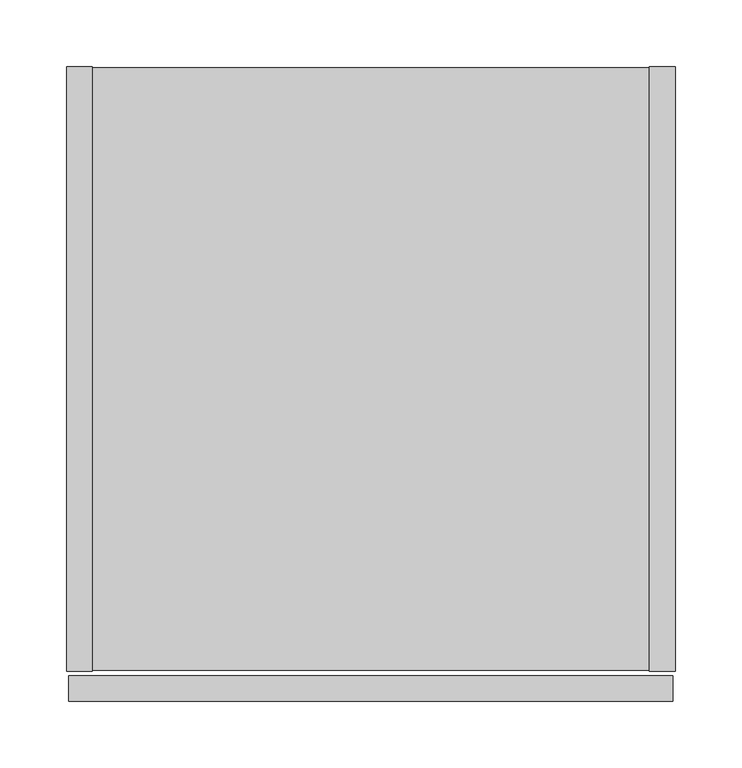
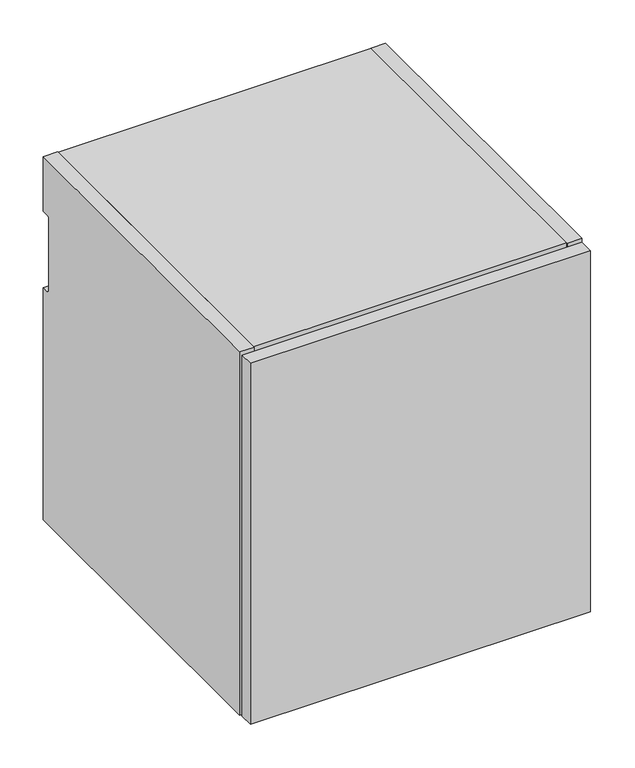
"""IFC4 building model written with IfcOpenShell, lengths in millimetres: furniture geometry."""

import ifcopenshell
import ifcopenshell.guid

model = None  # the IFC model being written
_history = None  # IfcOwnerHistory: only IFC2X3 demands one
_inside = {}  # id of a spatial element -> (the spatial element, [elements in it])
_under = {}  # id of a project, library or spatial element -> (it, [spatial elements below it])
_declared = {}  # id of a project -> (the project, [libraries it declares])
_typed = {}  # id of a type object -> (the type object, [elements of that type])
_made_of = {}  # id of a material, layer set ... -> (it, [elements and type objects made of it])


def new_model(schema):
    """Start an empty IFC model of exactly this schema.

    Asked for "IFC4X3", IfcOpenShell would pick the latest addendum, in which some entities
    have other attributes; the version numbers below select the first issue.
    IFC2X3 requires an IfcOwnerHistory on every rooted entity: one is made here for all.
    """
    global model, _history
    if schema == "IFC4X3":
        model = ifcopenshell.file(schema_version=(4, 3, 0, 0))
    else:
        model = ifcopenshell.file(schema=schema)
    _inside.clear()
    _under.clear()
    _declared.clear()
    _typed.clear()
    _made_of.clear()
    _history = None
    if model.schema == "IFC2X3":
        org = make("IfcOrganization", Name="unknown")
        user = make(
            "IfcPersonAndOrganization",
            ThePerson=make("IfcPerson", FamilyName="unknown"),
            TheOrganization=org,
        )
        app = make(
            "IfcApplication",
            ApplicationDeveloper=org,
            Version="unknown",
            ApplicationFullName="unknown",
            ApplicationIdentifier="unknown",
        )
        _history = make(
            "IfcOwnerHistory",
            OwningUser=user,
            OwningApplication=app,
            ChangeAction="ADDED",
            CreationDate=0,
        )
    return model


def make(cls, **values):
    """One entity of the class cls with the attributes given. An attribute that is None is left unset."""
    return model.create_entity(
        cls, **{name: value for name, value in values.items() if value is not None}
    )


def rooted(cls, **values):
    """An entity with a GlobalId (a new one), such as an element, a storey or a relation."""
    return make(cls, GlobalId=ifcopenshell.guid.new(), OwnerHistory=_history, **values)


def si_unit(unit_type, name, prefix=None):
    """IfcSIUnit, for example si_unit("LENGTHUNIT", "METRE", prefix="MILLI")."""
    return make("IfcSIUnit", UnitType=unit_type, Prefix=prefix, Name=name)


def assignment(units):
    """IfcUnitAssignment: the units of a project."""
    return None if units is None else make("IfcUnitAssignment", Units=units)


def point(xyz):
    """IfcCartesianPoint."""
    return None if xyz is None else make("IfcCartesianPoint", Coordinates=xyz)


def direction(xyz):
    """IfcDirection."""
    return None if xyz is None else make("IfcDirection", DirectionRatios=xyz)


def frame(location, z_axis=None, x_axis=None):
    """IfcAxis2Placement3D, a coordinate frame: its origin and axes. An axis left out is left unset."""
    return make(
        "IfcAxis2Placement3D",
        Location=point(location),
        Axis=direction(z_axis),
        RefDirection=direction(x_axis),
    )


def frame_2d(location, x_axis=None):
    """IfcAxis2Placement2D, a coordinate frame in the plane: its origin and x axis."""
    return make(
        "IfcAxis2Placement2D", Location=point(location), RefDirection=direction(x_axis)
    )


def origin():
    """The frame at (0, 0, 0) with its axes left unset."""
    return frame((0.0, 0.0, 0.0))


def place(relative_to, where):
    """IfcLocalPlacement: puts the frame where relative to a parent placement (None: the world)."""
    return make(
        "IfcLocalPlacement", PlacementRelTo=relative_to, RelativePlacement=where
    )


def context(
    kind, dimensions, precision=None, world=None, true_north=None, identifier=None
):
    """IfcGeometricRepresentationContext, for example the 3D "Model" context."""
    return make(
        "IfcGeometricRepresentationContext",
        ContextIdentifier=identifier,
        ContextType=kind,
        CoordinateSpaceDimension=dimensions,
        Precision=precision,
        WorldCoordinateSystem=world,
        TrueNorth=true_north,
    )


def project(units=None, contexts=None):
    """IfcProject with its units and contexts."""
    return rooted(
        "IfcProject",
        Name="project",
        RepresentationContexts=contexts,
        UnitsInContext=assignment(units),
    )


def spatial(cls, under=None, at=None, **own):
    """A site, building, storey or space (cls), placed at a placement, below another one or the project."""
    s = rooted(cls, ObjectPlacement=at, **own)
    if under is not None:
        _under.setdefault(under.id(), (under, []))[1].append(s)
    return s


def polyline(points):
    """IfcPolyline through the points."""
    return make("IfcPolyline", Points=[point(p) for p in points])


def circle_curve(where, radius):
    """IfcCircle in the frame where."""
    return make("IfcCircle", Position=where, Radius=radius)


def trimmed(basis, trim1, trim2, sense, master):
    """IfcTrimmedCurve: the piece of a basis curve between two trims."""
    return make(
        "IfcTrimmedCurve",
        BasisCurve=basis,
        Trim1=trim1,
        Trim2=trim2,
        SenseAgreement=sense,
        MasterRepresentation=master,
    )


def segment(curve, same_sense, transition):
    """IfcCompositeCurveSegment."""
    return make(
        "IfcCompositeCurveSegment",
        Transition=transition,
        SameSense=same_sense,
        ParentCurve=curve,
    )


def composite_curve(segments, self_intersect=None):
    """IfcCompositeCurve: segments joined end to end."""
    return make("IfcCompositeCurve", Segments=segments, SelfIntersect=self_intersect)


def outline(outer, holes=None, kind="AREA"):
    """IfcArbitraryClosedProfileDef: a profile drawn as a closed curve; with holes, ...WithVoids."""
    if holes is None:
        return make("IfcArbitraryClosedProfileDef", ProfileType=kind, OuterCurve=outer)
    return make(
        "IfcArbitraryProfileDefWithVoids",
        ProfileType=kind,
        OuterCurve=outer,
        InnerCurves=holes,
    )


def extrude(swept, where, along, depth):
    """IfcExtrudedAreaSolid: the profile swept, set in the frame where, extruded along a direction by depth."""
    return make(
        "IfcExtrudedAreaSolid",
        SweptArea=swept,
        Position=where,
        ExtrudedDirection=direction(along),
        Depth=depth,
    )


def shape(context_of_items, identifier, shape_type, items):
    """IfcShapeRepresentation: the items that make up one representation, for example the "Body"."""
    return make(
        "IfcShapeRepresentation",
        ContextOfItems=context_of_items,
        RepresentationIdentifier=identifier,
        RepresentationType=shape_type,
        Items=items,
    )


def source(mapping_origin, context_of_items, identifier, shape_type, items):
    """IfcRepresentationMap: a shape defined once, which mapped items show again and again."""
    return make(
        "IfcRepresentationMap",
        MappingOrigin=mapping_origin,
        MappedRepresentation=shape(context_of_items, identifier, shape_type, items),
    )


def transform(
    local_origin,
    x_axis=None,
    y_axis=None,
    z_axis=None,
    scale=None,
    scale2=None,
    scale3=None,
    uniform=True,
):
    """IfcCartesianTransformationOperator3D, or its non-uniform kind. x_axis, y_axis, z_axis: its Axis1, 2, 3."""
    if uniform:
        return make(
            "IfcCartesianTransformationOperator3D",
            Axis1=direction(x_axis),
            Axis2=direction(y_axis),
            LocalOrigin=point(local_origin),
            Scale=scale,
            Axis3=direction(z_axis),
        )
    return make(
        "IfcCartesianTransformationOperator3DnonUniform",
        Axis1=direction(x_axis),
        Axis2=direction(y_axis),
        LocalOrigin=point(local_origin),
        Scale=scale,
        Axis3=direction(z_axis),
        Scale2=scale2,
        Scale3=scale3,
    )


def mapped(mapping_source, mapping_target):
    """IfcMappedItem: shows the shape of a source again, moved by a transform."""
    return make(
        "IfcMappedItem", MappingSource=mapping_source, MappingTarget=mapping_target
    )


def made_of(thing, what):
    """Note that an element or type object is made of a material, layer set ...; save() writes the relation."""
    if what is not None:
        _made_of.setdefault(what.id(), (what, []))[1].append(thing)
    return thing


def element(
    cls,
    number,
    at=None,
    inside=None,
    cuts=None,
    type_object=None,
    material=None,
    context=None,
    identifier="Body",
    shape_type=None,
    held_by="IfcProductDefinitionShape",
    body=None,
    shapes=None,
    **own,
):
    """One element of the class cls, such as IfcWall. Its Tag is "e" and its number.

    at: its placement. inside: the storey or other place that contains it. cuts: it is an
    opening in that element (IfcRelVoidsElement). A single representation is given by context,
    identifier, shape_type and body (its items); several are given by shapes. held_by: the class
    of the entity that holds the representations. save() writes the other relations.
    """
    e = rooted(cls, Tag="e%d" % number, ObjectPlacement=at, **own)
    if body is not None:
        shapes = [shape(context, identifier, shape_type, body)]
    if shapes is not None:
        e.Representation = make(held_by, Representations=shapes)
    if inside is not None:
        _inside.setdefault(inside.id(), (inside, []))[1].append(e)
    if cuts is not None:
        rooted(
            "IfcRelVoidsElement", RelatingBuildingElement=cuts, RelatedOpeningElement=e
        )
    if type_object is not None:
        _typed.setdefault(type_object.id(), (type_object, []))[1].append(e)
    return made_of(e, material)


def aggregate(whole, parts):
    """IfcRelAggregates: a whole, such as a stair, and the parts it consists of."""
    return rooted("IfcRelAggregates", RelatingObject=whole, RelatedObjects=parts)


def save(model, path):
    """Write the relations noted so far, then the file.

    IfcRelAggregates (storeys below a building ...), IfcRelContainedInSpatialStructure (elements
    in a storey), IfcRelDefinesByType, IfcRelAssociatesMaterial and IfcRelDeclares: one each for
    every whole, place, type object, material and project.
    """
    for whole, parts in _under.values():
        aggregate(whole, parts)
    for where, things in _inside.values():
        rooted(
            "IfcRelContainedInSpatialStructure",
            RelatedElements=things,
            RelatingStructure=where,
        )
    for kind, things in _typed.values():
        rooted("IfcRelDefinesByType", RelatedObjects=things, RelatingType=kind)
    for what, things in _made_of.values():
        rooted("IfcRelAssociatesMaterial", RelatedObjects=things, RelatingMaterial=what)
    for by, libraries in _declared.values():
        rooted("IfcRelDeclares", RelatingContext=by, RelatedDefinitions=libraries)
    model.write(path)


def furniture_c3f5d862(model_context):
    return source(origin(), model_context, "Body", "SweptSolid", [
        extrude(outline(polyline([(455.6125, -476.504), (1.5875, -476.504), (1.5875, -457.2), (455.6125, -457.2), (455.6125, -476.504)])), frame((0.0, 0.0, 325.628), z_axis=(0.0, 0.0, 1.0), x_axis=(1.0, 0.0, 0.0)), (0.0, 0.0, 1.0), 509.397),
        extrude(outline(polyline([(457.2, 0.0), (457.2, -454.025), (437.896, -454.025), (437.896, 0.0), (457.2, 0.0)])), frame((0.0, 0.0, 325.628), z_axis=(0.0, 0.0, 1.0), x_axis=(1.0, 0.0, 0.0)), (0.0, 0.0, 1.0), 512.572),
        extrude(outline(polyline([(437.896, -0.9906), (437.896, -453.0344), (19.304, -453.0344), (19.304, -0.9906), (437.896, -0.9906)])), frame((0.0, 0.0, 326.6186), z_axis=(0.0, 0.0, 1.0), x_axis=(1.0, 0.0, 0.0)), (0.0, 0.0, 1.0), 19.304),
        extrude(outline(composite_curve([segment(polyline([(-32.004, 818.896), (-11.938, 818.896), (-11.938, 760.2988429)]), True, "CONTINUOUS"), segment(trimmed(circle_curve(frame_2d((-9.3963729, 758.1883729)), 3.3036271), [point((-11.938, 760.2988429))], [point((-12.7, 758.1883729))], True, "CARTESIAN"), True, "CONTINUOUS"), segment(polyline([(-12.7, 758.1883729), (-12.7, 656.844)]), True, "CONTINUOUS"), segment(trimmed(circle_curve(frame_2d((-9.398, 656.844)), 3.302), [point((-12.7, 656.844))], [point((-11.938, 654.7341175))], True, "CARTESIAN"), True, "CONTINUOUS"), segment(polyline([(-11.938, 654.7341175), (-11.938, 345.9226), (-32.004, 345.9226), (-32.004, 818.896)]), True, "CONTINUOUS")], self_intersect=False)), frame((19.304, 0.0, 0.0), z_axis=(1.0, 0.0, 0.0), x_axis=(0.0, 1.0, 0.0)), (0.0, 0.0, 1.0), 418.592),
        extrude(outline(composite_curve([segment(polyline([(-454.025, 838.2), (0.0, 838.2), (0.0, 761.492), (-9.3963729, 761.492)]), True, "CONTINUOUS"), segment(trimmed(circle_curve(frame_2d((-9.3963729, 758.1883729)), 3.3036271), [point((-9.3963729, 761.492))], [point((-12.7, 758.1883729))], True, "CARTESIAN"), True, "CONTINUOUS"), segment(polyline([(-12.7, 758.1883729), (-12.7, 656.844)]), True, "CONTINUOUS"), segment(trimmed(circle_curve(frame_2d((-9.398, 656.844)), 3.302), [point((-12.7, 656.844))], [point((-9.398, 653.542))], True, "CARTESIAN"), True, "CONTINUOUS"), segment(polyline([(-9.398, 653.542), (0.0, 653.542), (0.0, 325.628), (-454.025, 325.628), (-454.025, 838.2)]), True, "CONTINUOUS")], self_intersect=False)), frame((0.0, 0.0, 0.0), z_axis=(1.0, 0.0, 0.0), x_axis=(0.0, 1.0, 0.0)), (0.0, 0.0, 1.0), 19.304),
        extrude(outline(polyline([(437.896, -453.0344), (19.304, -453.0344), (19.304, -0.9906), (437.896, -0.9906), (437.896, -453.0344)])), frame((0.0, 0.0, 818.896), z_axis=(0.0, 0.0, 1.0), x_axis=(1.0, 0.0, 0.0)), (0.0, 0.0, 1.0), 19.304),
    ])


if __name__ == "__main__":
    model = new_model("IFC4")
    model_context = context("Model", 3, world=origin())
    ifc_project = project(units=[si_unit("LENGTHUNIT", "METRE", prefix="MILLI")], contexts=[model_context])
    site = spatial("IfcSite", under=ifc_project)
    building = spatial("IfcBuilding", under=site)
    placement = place(None, origin())
    furniture_shape = furniture_c3f5d862(model_context)
    element("IfcFurniture", 1, at=placement, inside=building, context=model_context, shape_type="MappedRepresentation", body=[
        mapped(furniture_shape, transform((0.0, 0.0, 0.0), x_axis=(1.0, 0.0, 0.0), y_axis=(0.0, 1.0, 0.0), z_axis=(0.0, 0.0, 1.0))),
    ])
    save(model, "model.ifc")
